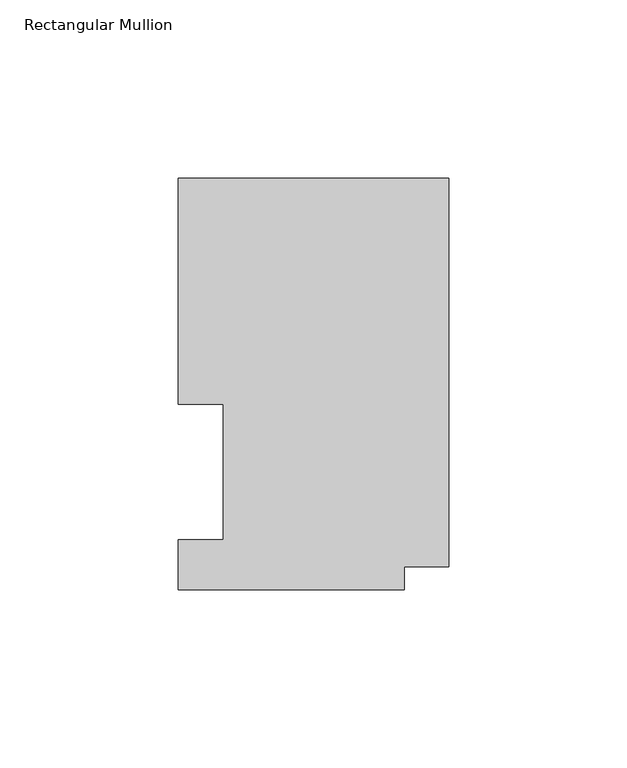
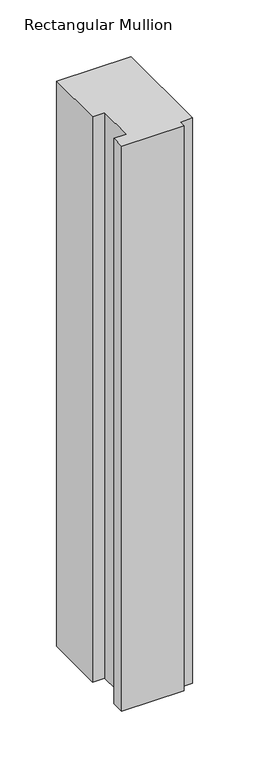
"""IFC4 building model written with IfcOpenShell, lengths in millimetres: member geometry, Rectangular Mullion."""

from ifc_helpers import new_model, si_unit, frame, origin, place, context, project, spatial, polyline, outline, extrude, source, transform, mapped, element, save


def rectangular_mullion_ee5c6a8d(model_context):
    return source(origin(), model_context, "Body", "SweptSolid", [
        extrude(outline(polyline([(0.0, 116.0859375), (0.0, 6.8817476), (-12.5262802, 6.8817476), (-12.5262802, 0.5159375), (-76.0262802, 0.5159375), (-76.0262802, 14.4859545), (-63.3262802, 14.4859545), (-63.3262802, 52.5859375), (-76.0222, 52.5859375), (-76.0222, 116.0859375), (0.0, 116.0859375)])), frame((0.0, 0.0, -609.6), z_axis=(0.0, 0.0, 1.0), x_axis=(1.0, 0.0, 0.0)), (0.0, 0.0, 1.0), 609.6),
    ])


if __name__ == "__main__":
    model = new_model("IFC4")
    model_context = context("Model", 3, world=origin())
    ifc_project = project(units=[si_unit("LENGTHUNIT", "METRE", prefix="MILLI")], contexts=[model_context])
    site = spatial("IfcSite", under=ifc_project)
    building = spatial("IfcBuilding", under=site)
    placement = place(None, origin())
    rectangular_mullion_shape = rectangular_mullion_ee5c6a8d(model_context)
    element("IfcMember", 1, ObjectType="Rectangular Mullion", at=placement, inside=building, context=model_context, shape_type="MappedRepresentation", body=[
        mapped(rectangular_mullion_shape, transform((0.0, 0.0, 0.0), x_axis=(1.0, 0.0, 0.0), y_axis=(0.0, 1.0, 0.0), z_axis=(0.0, 0.0, 1.0))),
    ])
    save(model, "model.ifc")
